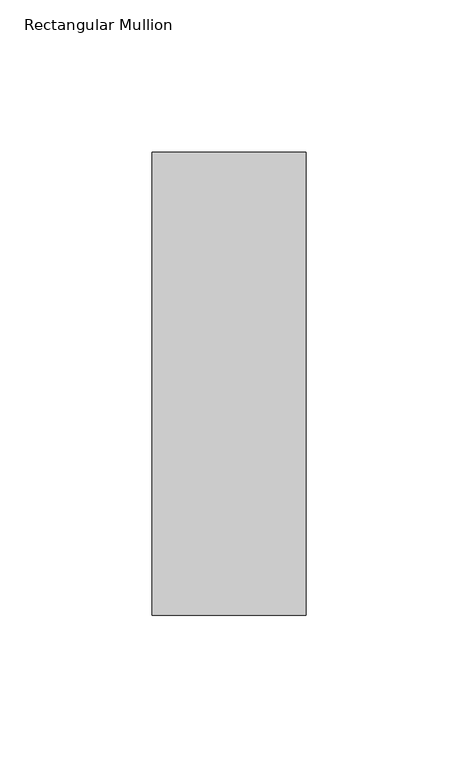
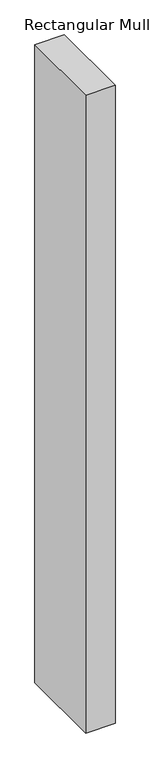
"""IFC4 building model written with IfcOpenShell, lengths in millimetres: member geometry, Rectangular Mullion."""

from ifc_helpers import new_model, si_unit, frame, origin, place, context, project, spatial, polyline, outline, extrude, source, transform, mapped, element, save


def rectangular_mullion_55c96c29(model_context):
    return source(origin(), model_context, "Body", "SweptSolid", [
        extrude(outline(polyline([(0.0, 26.19375), (0.0, -126.20625), (-50.8, -126.20625), (-50.8, 26.19375), (0.0, 26.19375)])), frame((0.0, 0.0, -1168.4), z_axis=(0.0, 0.0, 1.0), x_axis=(1.0, 0.0, 0.0)), (0.0, 0.0, 1.0), 1168.4),
    ])


if __name__ == "__main__":
    model = new_model("IFC4")
    model_context = context("Model", 3, world=origin())
    ifc_project = project(units=[si_unit("LENGTHUNIT", "METRE", prefix="MILLI")], contexts=[model_context])
    site = spatial("IfcSite", under=ifc_project)
    building = spatial("IfcBuilding", under=site)
    placement = place(None, origin())
    rectangular_mullion_shape = rectangular_mullion_55c96c29(model_context)
    element("IfcMember", 1, ObjectType="Rectangular Mullion", at=placement, inside=building, context=model_context, shape_type="MappedRepresentation", body=[
        mapped(rectangular_mullion_shape, transform((0.0, 0.0, 0.0), x_axis=(1.0, 0.0, 0.0), y_axis=(0.0, 1.0, 0.0), z_axis=(0.0, 0.0, 1.0))),
    ])
    save(model, "model.ifc")
